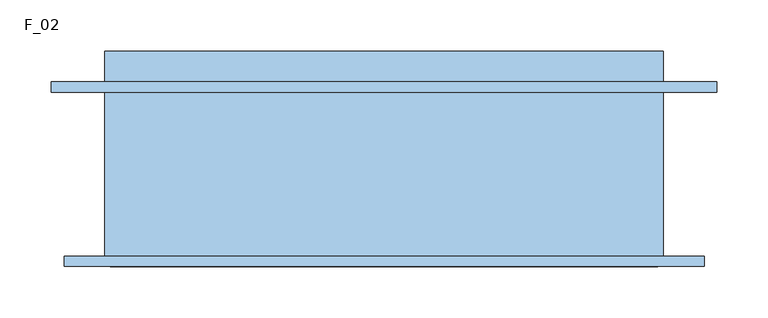
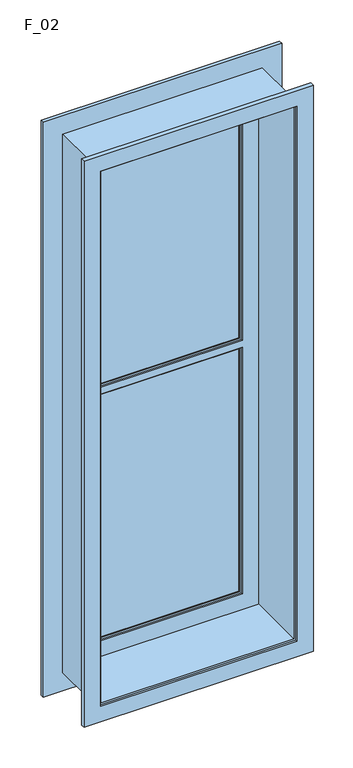
"""IFC4 building model written with IfcOpenShell, lengths in millimetres: window geometry, F_02."""

from ifc_helpers import new_model, si_unit, frame, origin, place, context, project, spatial, polyline, outline, extrude, faceted_brep, source, transform, mapped, element, save


def f_02_348e283c(model_context):
    return source(origin(), model_context, "Body", "SolidModel", [
        faceted_brep([(-272.5, 120.0, 2870.0), (-272.5, 120.0, 1320.0), (-272.5, -80.0, 1320.0), (-272.5, -80.0, 2870.0), (-312.5, -80.0, 1280.0), (-312.5, -80.0, 2910.0), (312.5, -80.0, 2910.0), (312.5, -80.0, 1280.0), (272.5, -80.0, 1320.0), (272.5, -80.0, 2870.0), (272.5, 120.0, 1320.0), (272.5, 120.0, 2870.0), (-262.5, 120.0, 2860.0), (-262.5, 120.0, 1330.0), (262.5, 120.0, 1330.0), (262.5, 120.0, 2860.0), (-262.5, -85.0, 2860.0), (-262.5, -85.0, 1330.0), (262.5, -85.0, 1330.0), (-267.5, -85.0, 2865.0), (-267.5, -85.0, 1325.0), (267.5, -85.0, 1325.0), (267.5, -85.0, 2865.0), (262.5, -85.0, 2860.0), (-267.5, -90.0, 2865.0), (-267.5, -90.0, 1325.0), (267.5, -90.0, 1325.0), (-312.5, -90.0, 2910.0), (-312.5, -90.0, 1280.0), (312.5, -90.0, 1280.0), (312.5, -90.0, 2910.0), (267.5, -90.0, 2865.0)], [[[0, 1, 2, 3]], [[4, 5, 6, 7], [3, 2, 8, 9]], [[1, 10, 8, 2]], [[1, 0, 11, 10], [12, 13, 14, 15]], [[16, 17, 13, 12]], [[17, 18, 14, 13]], [[19, 20, 21, 22], [17, 16, 23, 18]], [[24, 25, 20, 19]], [[25, 26, 21, 20]], [[27, 28, 29, 30], [25, 24, 31, 26]], [[5, 4, 28, 27]], [[4, 7, 29, 28]], [[10, 11, 9, 8]], [[18, 23, 15, 14]], [[26, 31, 22, 21]], [[7, 6, 30, 29]], [[11, 0, 3, 9]], [[23, 16, 12, 15]], [[31, 24, 19, 22]], [[6, 5, 27, 30]]]),
        extrude(outline(polyline([(212.5, 92.0), (212.5, 88.0), (-212.5, 88.0), (-212.5, 92.0), (212.5, 92.0)])), frame((0.0, 0.0, 2110.0), z_axis=(0.0, 0.0, 1.0), x_axis=(1.0, 0.0, 0.0)), (0.0, 0.0, 1.0), 700.0),
        faceted_brep([(262.5, 100.0, 2860.0), (262.5, 100.0, 1330.0), (-262.5, 100.0, 1330.0), (-262.5, 100.0, 2860.0), (-217.5, 100.0, 2085.0), (-217.5, 100.0, 1375.0), (217.5, 100.0, 1375.0), (217.5, 100.0, 2085.0), (217.5, 100.0, 2105.0), (217.5, 100.0, 2815.0), (-217.5, 100.0, 2815.0), (-217.5, 100.0, 2105.0), (217.5, 95.0, 2105.0), (217.5, 95.0, 2815.0), (217.5, 95.0, 2085.0), (217.5, 95.0, 1375.0), (-217.5, 95.0, 1375.0), (-217.5, 95.0, 2085.0), (-217.5, 95.0, 2105.0), (-217.5, 95.0, 2815.0), (-262.5, 95.0, 1330.0), (-262.5, 95.0, 2860.0), (262.5, 95.0, 1330.0), (262.5, 95.0, 2860.0), (212.5, 95.0, 1380.0), (212.5, 95.0, 2080.0), (-212.5, 95.0, 2080.0), (-212.5, 95.0, 1380.0), (212.5, 95.0, 2110.0), (212.5, 95.0, 2810.0), (-212.5, 95.0, 2810.0), (-212.5, 95.0, 2110.0), (-212.5, 85.0, 1380.0), (212.5, 85.0, 1380.0), (-212.5, 85.0, 2080.0), (-212.5, 85.0, 2810.0), (-212.5, 85.0, 2110.0), (212.5, 85.0, 2080.0), (212.5, 85.0, 2110.0), (212.5, 85.0, 2810.0), (217.5, 85.0, 1375.0), (217.5, 85.0, 2085.0), (-217.5, 85.0, 2085.0), (-217.5, 85.0, 1375.0), (-217.5, 85.0, 2815.0), (-217.5, 85.0, 2105.0), (217.5, 85.0, 2105.0), (217.5, 85.0, 2815.0), (-217.5, 80.0, 1375.0), (217.5, 80.0, 1375.0), (-217.5, 80.0, 2815.0), (-217.5, 80.0, 2105.0), (-217.5, 80.0, 2085.0), (217.5, 80.0, 2085.0), (217.5, 80.0, 2105.0), (217.5, 80.0, 2815.0), (-262.5, 80.0, 2860.0), (-262.5, 80.0, 1330.0), (262.5, 80.0, 1330.0), (262.5, 80.0, 2860.0), (262.5, 85.0, 1330.0), (262.5, 85.0, 2860.0), (-262.5, 85.0, 1330.0), (-262.5, 85.0, 2860.0), (267.5, 95.0, 2865.0), (267.5, 95.0, 1325.0), (-267.5, 95.0, 1325.0), (-267.5, 95.0, 2865.0), (267.5, 85.0, 2865.0), (267.5, 85.0, 1325.0), (-267.5, 85.0, 1325.0), (-267.5, 85.0, 2865.0)], [[[0, 1, 2, 3], [4, 5, 6, 7], [8, 9, 10, 11]], [[9, 8, 12, 13]], [[14, 7, 6, 15]], [[6, 5, 16, 15]], [[5, 4, 17, 16]], [[18, 11, 10, 19]], [[3, 2, 20, 21]], [[22, 20, 2, 1]], [[23, 22, 1, 0]], [[16, 17, 14, 15], [24, 25, 26, 27]], [[13, 12, 18, 19], [28, 29, 30, 31]], [[24, 27, 32, 33]], [[27, 26, 34, 32]], [[35, 36, 31, 30]], [[33, 37, 25, 24]], [[29, 28, 38, 39]], [[40, 41, 42, 43], [33, 32, 34, 37]], [[44, 45, 46, 47], [36, 35, 39, 38]], [[40, 43, 48, 49]], [[50, 51, 45, 44]], [[42, 52, 48, 43]], [[49, 53, 41, 40]], [[46, 54, 55, 47]], [[56, 57, 58, 59], [53, 49, 48, 52], [51, 50, 55, 54]], [[59, 58, 60, 61]], [[58, 57, 62, 60]], [[63, 62, 57, 56]], [[64, 65, 66, 67], [21, 20, 22, 23]], [[68, 69, 65, 64]], [[69, 70, 66, 65]], [[71, 70, 69, 68], [61, 60, 62, 63]], [[67, 66, 70, 71]], [[10, 9, 13, 19]], [[21, 23, 0, 3]], [[30, 29, 39, 35]], [[44, 47, 55, 50]], [[56, 59, 61, 63]], [[71, 68, 64, 67]], [[11, 18, 12, 8]], [[31, 36, 38, 28]], [[54, 46, 45, 51]], [[52, 42, 41, 53]], [[34, 26, 25, 37]], [[7, 14, 17, 4]]]),
        faceted_brep([(-325.0, 90.0, 2922.5), (-325.0, 90.0, 1267.5), (-325.0, 80.0, 1267.5), (-325.0, 80.0, 2922.5), (325.0, 90.0, 1267.5), (325.0, 80.0, 1267.5), (325.0, 80.0, 2922.5), (262.5, 80.0, 1330.0), (-262.5, 80.0, 1330.0), (-262.5, 80.0, 2860.0), (262.5, 80.0, 2860.0), (325.0, 90.0, 2922.5), (-267.5, 90.0, 1325.0), (267.5, 90.0, 1325.0), (267.5, 90.0, 2865.0), (-267.5, 90.0, 2865.0), (-267.5, 85.0, 2865.0), (-267.5, 85.0, 1325.0), (267.5, 85.0, 1325.0), (267.5, 85.0, 2865.0), (-262.5, 85.0, 1330.0), (262.5, 85.0, 1330.0), (262.5, 85.0, 2860.0), (-262.5, 85.0, 2860.0)], [[[0, 1, 2, 3]], [[1, 4, 5, 2]], [[2, 5, 6, 3], [7, 8, 9, 10]], [[4, 11, 6, 5]], [[4, 1, 0, 11], [12, 13, 14, 15]], [[16, 17, 12, 15]], [[17, 18, 13, 12]], [[18, 19, 14, 13]], [[18, 17, 16, 19], [20, 21, 22, 23]], [[9, 8, 20, 23]], [[8, 7, 21, 20]], [[7, 10, 22, 21]], [[11, 0, 3, 6]], [[19, 16, 15, 14]], [[10, 9, 23, 22]]]),
        extrude(outline(polyline([(212.5, 92.0), (212.5, 88.0), (-212.5, 88.0), (-212.5, 92.0), (212.5, 92.0)])), frame((0.0, 0.0, 1380.0), z_axis=(0.0, 0.0, 1.0), x_axis=(1.0, 0.0, 0.0)), (0.0, 0.0, 1.0), 700.0),
    ])


if __name__ == "__main__":
    model = new_model("IFC4")
    model_context = context("Model", 3, world=origin())
    ifc_project = project(units=[si_unit("LENGTHUNIT", "METRE", prefix="MILLI")], contexts=[model_context])
    site = spatial("IfcSite", under=ifc_project)
    building = spatial("IfcBuilding", under=site)
    placement = place(None, origin())
    f_02_shape = f_02_348e283c(model_context)
    element("IfcWindow", 1, ObjectType="F_02", at=placement, inside=building, context=model_context, shape_type="MappedRepresentation", body=[
        mapped(f_02_shape, transform((0.0, 0.0, 0.0), x_axis=(1.0, 0.0, 0.0), y_axis=(0.0, 1.0, 0.0), z_axis=(0.0, 0.0, 1.0))),
    ])
    save(model, "model.ifc")
